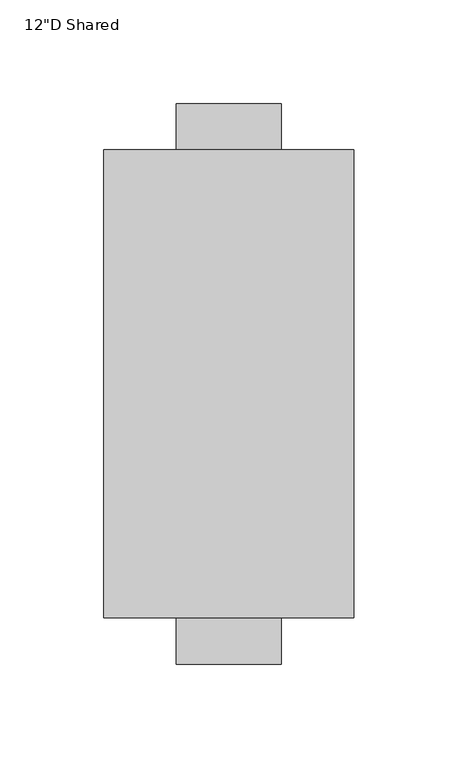
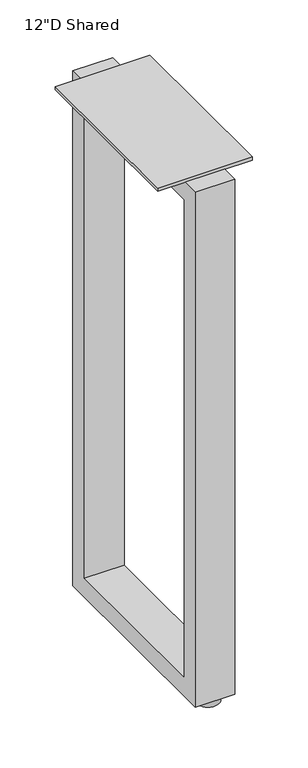
"""IFC4 building model written with IfcOpenShell, lengths in millimetres: furniture geometry."""

from ifc_helpers import new_model, si_unit, frame, origin, place, context, project, spatial, polyline, circle_curve, outline, extrude, source, transform, mapped, element, save
from ifc_brep_helpers import plane_surface, cylinder_surface, advanced_brep


def furniture_b8ce0234(model_context):
    return source(origin(), model_context, "Body", "SolidModel", [
        extrude(outline(polyline([(262.4640201, 702.6656222), (262.4640201, 8.6614), (-7.7919799, 8.6614), (-7.7919799, 702.6656222), (262.4640201, 702.6656222)]), holes=[polyline([(237.0640201, 677.2656222), (17.6080201, 677.2656222), (17.6080201, 34.0614), (237.0640201, 34.0614), (237.0640201, 677.2656222)])]), frame((-761.998801, 0.0, 0.0), z_axis=(1.0, 0.0, 0.0), x_axis=(0.0, 1.0, 0.0)), (0.0, 0.0, 1.0), 50.7994011),
        advanced_brep(
        [(-722.3116005, 246.5890201, 0.0), (-750.8866005, 246.5890201, 0.0), (-736.5991005, 246.5890201, 0.0), (-722.3116005, 246.5890201, 7.874), (-750.8866005, 246.5890201, 7.874), (-731.8366005, 246.5890201, 7.874), (-741.3616005, 246.5890201, 7.874), (-731.8366005, 246.5890201, 8.6614), (-741.3616005, 246.5890201, 8.6614), (-736.5991005, 246.5890201, 8.6614)],
        [
            (0, 1, circle_curve(frame((-736.5991005, 246.5890201, 0.0), z_axis=(0.0, 0.0, -1.0), x_axis=(-1.0, 0.0, 0.0)), 14.2875)),
            (1, 2),
            (2, 0),
            (1, 0, circle_curve(frame((-736.5991005, 246.5890201, 0.0), z_axis=(0.0, 0.0, -1.0), x_axis=(-1.0, 0.0, 0.0)), 14.2875)),
            (3, 4, circle_curve(frame((-736.5991005, 246.5890201, 7.874), z_axis=(0.0, 0.0, -1.0), x_axis=(-1.0, 0.0, 0.0)), 14.2875)),
            (4, 1),
            (0, 3),
            (4, 3, circle_curve(frame((-736.5991005, 246.5890201, 7.874), z_axis=(0.0, 0.0, -1.0), x_axis=(-1.0, 0.0, 0.0)), 14.2875)),
            (5, 6, circle_curve(frame((-736.5991005, 246.5890201, 7.874), z_axis=(0.0, 0.0, -1.0), x_axis=(-1.0, 0.0, 0.0)), 4.7625)),
            (6, 4),
            (3, 5),
            (6, 5, circle_curve(frame((-736.5991005, 246.5890201, 7.874), z_axis=(0.0, 0.0, -1.0), x_axis=(-1.0, 0.0, 0.0)), 4.7625)),
            (7, 8, circle_curve(frame((-736.5991005, 246.5890201, 8.6614), z_axis=(0.0, 0.0, -1.0), x_axis=(-1.0, 0.0, 0.0)), 4.7625)),
            (8, 6),
            (5, 7),
            (8, 7, circle_curve(frame((-736.5991005, 246.5890201, 8.6614), z_axis=(0.0, 0.0, -1.0), x_axis=(-1.0, 0.0, 0.0)), 4.7625)),
            (9, 8),
            (7, 9),
        ],
        [
            plane_surface(frame((-736.5991005, 246.5890201, 0.0), z_axis=(0.0, 0.0, -1.0), x_axis=(-1.0, 0.0, 0.0))),
            cylinder_surface(frame((-736.5991005, 246.5890201, -2.6032322), z_axis=(0.0, 0.0, 1.0), x_axis=(-1.0, 0.0, 0.0)), 14.2875),
            plane_surface(frame((-736.5991005, 246.5890201, 7.874), z_axis=(0.0, 0.0, 1.0), x_axis=(-1.0, 0.0, 0.0))),
            cylinder_surface(frame((-736.5991005, 246.5890201, -2.6032322), z_axis=(0.0, 0.0, 1.0), x_axis=(-1.0, 0.0, 0.0)), 4.7625),
            plane_surface(frame((-736.5991005, 246.5890201, 8.6614), z_axis=(0.0, 0.0, 1.0), x_axis=(-1.0, 0.0, 0.0))),
        ],
        [
            (0, [[1, 2, 3]]),
            (0, [[4, -3, -2]]),
            (1, [[5, 6, -1, 7]]),
            (1, [[8, -7, -4, -6]]),
            (2, [[9, 10, -5, 11]]),
            (2, [[12, -11, -8, -10]]),
            (3, [[13, 14, -9, 15]]),
            (3, [[16, -15, -12, -14]]),
            (4, [[17, -13, 18]]),
            (4, [[-18, -16, -17]]),
        ],
    ),
        extrude(outline(polyline([(-676.273801, 240.2390201), (-676.273801, 14.4330201), (-796.923801, 14.4330201), (-796.923801, 240.2390201), (-676.273801, 240.2390201)])), frame((0.0, 0.0, 702.6656222), z_axis=(0.0, 0.0, 1.0), x_axis=(1.0, 0.0, 0.0)), (0.0, 0.0, 1.0), 4.3434),
        advanced_brep(
        [(-722.3116005, 8.0830201, 0.0), (-750.8866005, 8.0830201, 0.0), (-736.5991005, 8.0830201, 0.0), (-722.3116005, 8.0830201, 7.874), (-750.8866005, 8.0830201, 7.874), (-731.8366005, 8.0830201, 7.874), (-741.3616005, 8.0830201, 7.874), (-731.8366005, 8.0830201, 8.6614), (-741.3616005, 8.0830201, 8.6614), (-736.5991005, 8.0830201, 8.6614)],
        [
            (0, 1, circle_curve(frame((-736.5991005, 8.0830201, 0.0), z_axis=(0.0, 0.0, -1.0), x_axis=(-1.0, 0.0, 0.0)), 14.2875)),
            (1, 2),
            (2, 0),
            (1, 0, circle_curve(frame((-736.5991005, 8.0830201, 0.0), z_axis=(0.0, 0.0, -1.0), x_axis=(-1.0, 0.0, 0.0)), 14.2875)),
            (3, 4, circle_curve(frame((-736.5991005, 8.0830201, 7.874), z_axis=(0.0, 0.0, -1.0), x_axis=(-1.0, 0.0, 0.0)), 14.2875)),
            (4, 1),
            (0, 3),
            (4, 3, circle_curve(frame((-736.5991005, 8.0830201, 7.874), z_axis=(0.0, 0.0, -1.0), x_axis=(-1.0, 0.0, 0.0)), 14.2875)),
            (5, 6, circle_curve(frame((-736.5991005, 8.0830201, 7.874), z_axis=(0.0, 0.0, -1.0), x_axis=(-1.0, 0.0, 0.0)), 4.7625)),
            (6, 4),
            (3, 5),
            (6, 5, circle_curve(frame((-736.5991005, 8.0830201, 7.874), z_axis=(0.0, 0.0, -1.0), x_axis=(-1.0, 0.0, 0.0)), 4.7625)),
            (7, 8, circle_curve(frame((-736.5991005, 8.0830201, 8.6614), z_axis=(0.0, 0.0, -1.0), x_axis=(-1.0, 0.0, 0.0)), 4.7625)),
            (8, 6),
            (5, 7),
            (8, 7, circle_curve(frame((-736.5991005, 8.0830201, 8.6614), z_axis=(0.0, 0.0, -1.0), x_axis=(-1.0, 0.0, 0.0)), 4.7625)),
            (9, 8),
            (7, 9),
        ],
        [
            plane_surface(frame((-736.5991005, 8.0830201, 0.0), z_axis=(0.0, 0.0, -1.0), x_axis=(-1.0, 0.0, 0.0))),
            cylinder_surface(frame((-736.5991005, 8.0830201, -2.6032322), z_axis=(0.0, 0.0, 1.0), x_axis=(-1.0, 0.0, 0.0)), 14.2875),
            plane_surface(frame((-736.5991005, 8.0830201, 7.874), z_axis=(0.0, 0.0, 1.0), x_axis=(-1.0, 0.0, 0.0))),
            cylinder_surface(frame((-736.5991005, 8.0830201, -2.6032322), z_axis=(0.0, 0.0, 1.0), x_axis=(-1.0, 0.0, 0.0)), 4.7625),
            plane_surface(frame((-736.5991005, 8.0830201, 8.6614), z_axis=(0.0, 0.0, 1.0), x_axis=(-1.0, 0.0, 0.0))),
        ],
        [
            (0, [[1, 2, 3]]),
            (0, [[4, -3, -2]]),
            (1, [[5, 6, -1, 7]]),
            (1, [[8, -7, -4, -6]]),
            (2, [[9, 10, -5, 11]]),
            (2, [[12, -11, -8, -10]]),
            (3, [[13, 14, -9, 15]]),
            (3, [[16, -15, -12, -14]]),
            (4, [[17, -13, 18]]),
            (4, [[-18, -16, -17]]),
        ],
    ),
    ])


if __name__ == "__main__":
    model = new_model("IFC4")
    model_context = context("Model", 3, world=origin())
    ifc_project = project(units=[si_unit("LENGTHUNIT", "METRE", prefix="MILLI")], contexts=[model_context])
    site = spatial("IfcSite", under=ifc_project)
    building = spatial("IfcBuilding", under=site)
    placement = place(None, origin())
    furniture_shape = furniture_b8ce0234(model_context)
    element("IfcFurniture", 1, ObjectType="12\"D Shared", at=placement, inside=building, context=model_context, shape_type="MappedRepresentation", body=[
        mapped(furniture_shape, transform((0.0, 0.0, 0.0), x_axis=(1.0, 0.0, 0.0), y_axis=(0.0, 1.0, 0.0), z_axis=(0.0, 0.0, 1.0))),
    ])
    save(model, "model.ifc")
